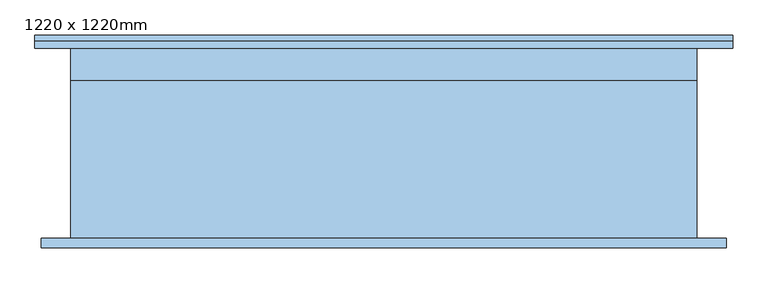
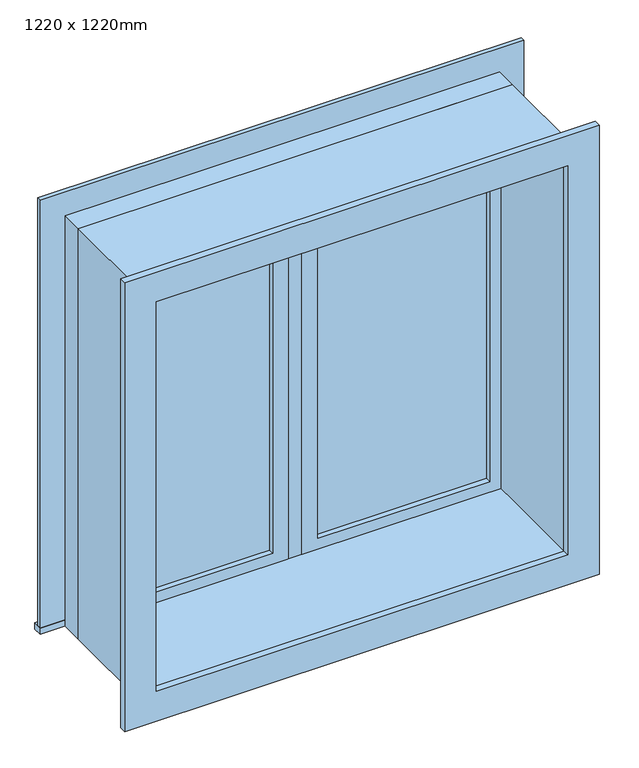
"""IFC4 building model written with IfcOpenShell, lengths in millimetres: window geometry, 1220 x 1220mm."""

from ifc_helpers import new_model, si_unit, frame, origin, place, context, project, spatial, polyline, outline, extrude, source, transform, mapped, element, save


def window_1220_x_1220mm_67128ba5(model_context):
    return source(origin(), model_context, "Body", "SweptSolid", [
        extrude(outline(polyline([(63.5, 169.175), (546.5, 169.175), (546.5, 156.475), (63.5, 156.475), (63.5, 169.175)])), frame((0.0, 0.0, 978.5), z_axis=(0.0, 0.0, 1.0), x_axis=(1.0, 0.0, 0.0)), (0.0, 0.0, 1.0), 1093.0),
        extrude(outline(polyline([(2115.95, 19.05), (934.05, 19.05), (934.05, 590.95), (2115.95, 590.95), (2115.95, 19.05)]), holes=[polyline([(2071.5, 63.5), (2071.5, 546.5), (978.5, 546.5), (978.5, 63.5), (2071.5, 63.5)])]), frame((0.0, 140.6, 0.0), z_axis=(0.0, 1.0, 0.0), x_axis=(0.0, 0.0, 1.0)), (0.0, 0.0, 1.0), 44.45),
        extrude(outline(polyline([(-679.95, 229.75), (679.95, 229.75), (679.95, 204.05), (-679.95, 204.05), (-679.95, 229.75)])), frame((0.0, 0.0, 915.0), z_axis=(0.0, 0.0, 1.0), x_axis=(1.0, 0.0, 0.0)), (0.0, 0.0, 1.0), 19.05),
        extrude(outline(polyline([(2115.95, -590.95), (2115.95, 590.95), (934.05, 590.95), (934.05, 679.95), (2204.95, 679.95), (2204.95, -679.95), (934.05, -679.95), (934.05, -590.95), (2115.95, -590.95)])), frame((0.0, 204.05, 0.0), z_axis=(0.0, 1.0, 0.0), x_axis=(0.0, 0.0, 1.0)), (0.0, 0.0, 1.0), 13.0),
        extrude(outline(polyline([(2192.25, 667.25), (2192.25, -667.25), (857.75, -667.25), (857.75, 667.25), (2192.25, 667.25)]), holes=[polyline([(2103.25, 578.25), (946.75, 578.25), (946.75, -578.25), (2103.25, -578.25), (2103.25, 578.25)])]), frame((0.0, -184.95, 0.0), z_axis=(0.0, 1.0, 0.0), x_axis=(0.0, 0.0, 1.0)), (0.0, 0.0, 1.0), 19.0),
        extrude(outline(polyline([(-63.5, 156.475), (-546.5, 156.475), (-546.5, 169.175), (-63.5, 169.175), (-63.5, 156.475)])), frame((0.0, 0.0, 978.5), z_axis=(0.0, 0.0, 1.0), x_axis=(1.0, 0.0, 0.0)), (0.0, 0.0, 1.0), 1093.0),
        extrude(outline(polyline([(2115.95, -590.95), (934.05, -590.95), (934.05, -19.05), (2115.95, -19.05), (2115.95, -590.95)]), holes=[polyline([(2071.5, -546.5), (2071.5, -63.5), (978.5, -63.5), (978.5, -546.5), (2071.5, -546.5)])]), frame((0.0, 140.6, 0.0), z_axis=(0.0, 1.0, 0.0), x_axis=(0.0, 0.0, 1.0)), (0.0, 0.0, 1.0), 44.45),
        extrude(outline(polyline([(2135.0, -610.0), (915.0, -610.0), (915.0, 610.0), (2135.0, 610.0), (2135.0, -610.0)]), holes=[polyline([(2103.25, -578.25), (2103.25, 578.25), (946.75, 578.25), (946.75, -578.25), (2103.25, -578.25)])]), frame((0.0, -165.95, 0.0), z_axis=(0.0, 1.0, 0.0), x_axis=(0.0, 0.0, 1.0)), (0.0, 0.0, 1.0), 306.55),
        extrude(outline(polyline([(2135.0, 610.0), (2135.0, -610.0), (915.0, -610.0), (915.0, 610.0), (2135.0, 610.0)]), holes=[polyline([(2115.95, 590.95), (934.05, 590.95), (934.05, -590.95), (2115.95, -590.95), (2115.95, 590.95)])]), frame((0.0, 140.6, 0.0), z_axis=(0.0, 1.0, 0.0), x_axis=(0.0, 0.0, 1.0)), (0.0, 0.0, 1.0), 63.45),
        extrude(outline(polyline([(19.05, 140.6), (-19.05, 140.6), (-19.05, 204.1), (19.05, 204.1), (19.05, 140.6)])), frame((0.0, 0.0, 934.05), z_axis=(0.0, 0.0, 1.0), x_axis=(1.0, 0.0, 0.0)), (0.0, 0.0, 1.0), 1181.9),
    ])


if __name__ == "__main__":
    model = new_model("IFC4")
    model_context = context("Model", 3, world=origin())
    ifc_project = project(units=[si_unit("LENGTHUNIT", "METRE", prefix="MILLI")], contexts=[model_context])
    site = spatial("IfcSite", under=ifc_project)
    building = spatial("IfcBuilding", under=site)
    placement = place(None, origin())
    window_1220_x_1220mm_shape = window_1220_x_1220mm_67128ba5(model_context)
    element("IfcWindow", 1, ObjectType="1220 x 1220mm", at=placement, inside=building, context=model_context, shape_type="MappedRepresentation", body=[
        mapped(window_1220_x_1220mm_shape, transform((0.0, 0.0, 0.0), x_axis=(1.0, 0.0, 0.0), y_axis=(0.0, 1.0, 0.0), z_axis=(0.0, 0.0, 1.0))),
    ])
    save(model, "model.ifc")
